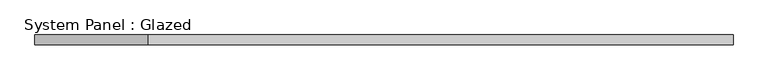
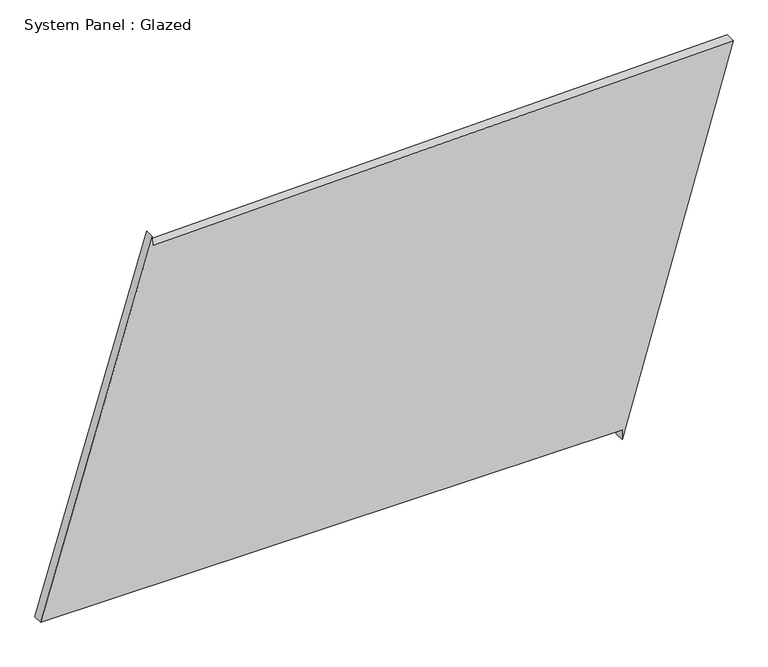
"""IFC4 building model written with IfcOpenShell, lengths in millimetres: plate geometry, System Panel : Glazed."""

from ifc_helpers import new_model, si_unit, frame, origin, place, context, project, spatial, polyline, outline, extrude, source, transform, mapped, element, save


def system_panel_glazed_d65a8cfd(model_context):
    return source(origin(), model_context, "Body", "SweptSolid", [
        extrude(outline(polyline([(25.0, 600.3940441), (0.0, 600.3940441), (977.6768662, 883.6541138), (942.2457968, -597.5960643), (967.2386479, -598.193886), (25.0, -883.6541138), (25.0, 600.3940441)])), frame((0.0, -49.5, 0.0), z_axis=(0.0, 1.0, 0.0), x_axis=(0.0, 0.0, 1.0)), (0.0, 0.0, 1.0), 25.0),
    ])


if __name__ == "__main__":
    model = new_model("IFC4")
    model_context = context("Model", 3, world=origin())
    ifc_project = project(units=[si_unit("LENGTHUNIT", "METRE", prefix="MILLI")], contexts=[model_context])
    site = spatial("IfcSite", under=ifc_project)
    building = spatial("IfcBuilding", under=site)
    placement = place(None, origin())
    system_panel_glazed_shape = system_panel_glazed_d65a8cfd(model_context)
    element("IfcPlate", 1, ObjectType="System Panel : Glazed", at=placement, inside=building, context=model_context, shape_type="MappedRepresentation", body=[
        mapped(system_panel_glazed_shape, transform((0.0, 0.0, 0.0), x_axis=(1.0, 0.0, 0.0), y_axis=(0.0, 1.0, 0.0), z_axis=(0.0, 0.0, 1.0))),
    ])
    save(model, "model.ifc")
